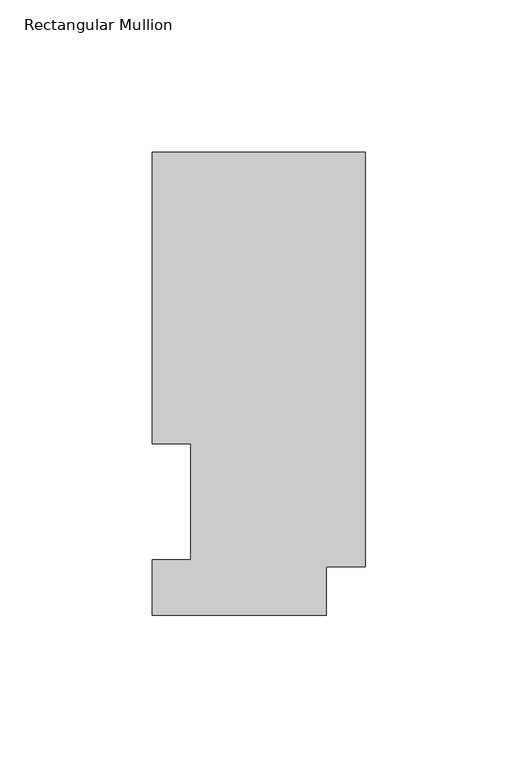
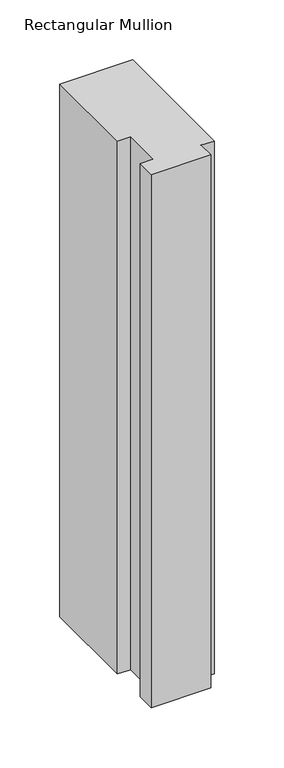
"""IFC4 building model written with IfcOpenShell, lengths in millimetres: member geometry, Rectangular Mullion."""

import ifcopenshell
import ifcopenshell.guid

model = None  # the IFC model being written
_history = None  # IfcOwnerHistory: only IFC2X3 demands one
_inside = {}  # id of a spatial element -> (the spatial element, [elements in it])
_under = {}  # id of a project, library or spatial element -> (it, [spatial elements below it])
_declared = {}  # id of a project -> (the project, [libraries it declares])
_typed = {}  # id of a type object -> (the type object, [elements of that type])
_made_of = {}  # id of a material, layer set ... -> (it, [elements and type objects made of it])


def new_model(schema):
    """Start an empty IFC model of exactly this schema.

    Asked for "IFC4X3", IfcOpenShell would pick the latest addendum, in which some entities
    have other attributes; the version numbers below select the first issue.
    IFC2X3 requires an IfcOwnerHistory on every rooted entity: one is made here for all.
    """
    global model, _history
    if schema == "IFC4X3":
        model = ifcopenshell.file(schema_version=(4, 3, 0, 0))
    else:
        model = ifcopenshell.file(schema=schema)
    _inside.clear()
    _under.clear()
    _declared.clear()
    _typed.clear()
    _made_of.clear()
    _history = None
    if model.schema == "IFC2X3":
        org = make("IfcOrganization", Name="unknown")
        user = make(
            "IfcPersonAndOrganization",
            ThePerson=make("IfcPerson", FamilyName="unknown"),
            TheOrganization=org,
        )
        app = make(
            "IfcApplication",
            ApplicationDeveloper=org,
            Version="unknown",
            ApplicationFullName="unknown",
            ApplicationIdentifier="unknown",
        )
        _history = make(
            "IfcOwnerHistory",
            OwningUser=user,
            OwningApplication=app,
            ChangeAction="ADDED",
            CreationDate=0,
        )
    return model


def make(cls, **values):
    """One entity of the class cls with the attributes given. An attribute that is None is left unset."""
    return model.create_entity(
        cls, **{name: value for name, value in values.items() if value is not None}
    )


def rooted(cls, **values):
    """An entity with a GlobalId (a new one), such as an element, a storey or a relation."""
    return make(cls, GlobalId=ifcopenshell.guid.new(), OwnerHistory=_history, **values)


def si_unit(unit_type, name, prefix=None):
    """IfcSIUnit, for example si_unit("LENGTHUNIT", "METRE", prefix="MILLI")."""
    return make("IfcSIUnit", UnitType=unit_type, Prefix=prefix, Name=name)


def assignment(units):
    """IfcUnitAssignment: the units of a project."""
    return None if units is None else make("IfcUnitAssignment", Units=units)


def point(xyz):
    """IfcCartesianPoint."""
    return None if xyz is None else make("IfcCartesianPoint", Coordinates=xyz)


def direction(xyz):
    """IfcDirection."""
    return None if xyz is None else make("IfcDirection", DirectionRatios=xyz)


def frame(location, z_axis=None, x_axis=None):
    """IfcAxis2Placement3D, a coordinate frame: its origin and axes. An axis left out is left unset."""
    return make(
        "IfcAxis2Placement3D",
        Location=point(location),
        Axis=direction(z_axis),
        RefDirection=direction(x_axis),
    )


def origin():
    """The frame at (0, 0, 0) with its axes left unset."""
    return frame((0.0, 0.0, 0.0))


def place(relative_to, where):
    """IfcLocalPlacement: puts the frame where relative to a parent placement (None: the world)."""
    return make(
        "IfcLocalPlacement", PlacementRelTo=relative_to, RelativePlacement=where
    )


def context(
    kind, dimensions, precision=None, world=None, true_north=None, identifier=None
):
    """IfcGeometricRepresentationContext, for example the 3D "Model" context."""
    return make(
        "IfcGeometricRepresentationContext",
        ContextIdentifier=identifier,
        ContextType=kind,
        CoordinateSpaceDimension=dimensions,
        Precision=precision,
        WorldCoordinateSystem=world,
        TrueNorth=true_north,
    )


def project(units=None, contexts=None):
    """IfcProject with its units and contexts."""
    return rooted(
        "IfcProject",
        Name="project",
        RepresentationContexts=contexts,
        UnitsInContext=assignment(units),
    )


def spatial(cls, under=None, at=None, **own):
    """A site, building, storey or space (cls), placed at a placement, below another one or the project."""
    s = rooted(cls, ObjectPlacement=at, **own)
    if under is not None:
        _under.setdefault(under.id(), (under, []))[1].append(s)
    return s


def polyline(points):
    """IfcPolyline through the points."""
    return make("IfcPolyline", Points=[point(p) for p in points])


def outline(outer, holes=None, kind="AREA"):
    """IfcArbitraryClosedProfileDef: a profile drawn as a closed curve; with holes, ...WithVoids."""
    if holes is None:
        return make("IfcArbitraryClosedProfileDef", ProfileType=kind, OuterCurve=outer)
    return make(
        "IfcArbitraryProfileDefWithVoids",
        ProfileType=kind,
        OuterCurve=outer,
        InnerCurves=holes,
    )


def extrude(swept, where, along, depth):
    """IfcExtrudedAreaSolid: the profile swept, set in the frame where, extruded along a direction by depth."""
    return make(
        "IfcExtrudedAreaSolid",
        SweptArea=swept,
        Position=where,
        ExtrudedDirection=direction(along),
        Depth=depth,
    )


def shape(context_of_items, identifier, shape_type, items):
    """IfcShapeRepresentation: the items that make up one representation, for example the "Body"."""
    return make(
        "IfcShapeRepresentation",
        ContextOfItems=context_of_items,
        RepresentationIdentifier=identifier,
        RepresentationType=shape_type,
        Items=items,
    )


def source(mapping_origin, context_of_items, identifier, shape_type, items):
    """IfcRepresentationMap: a shape defined once, which mapped items show again and again."""
    return make(
        "IfcRepresentationMap",
        MappingOrigin=mapping_origin,
        MappedRepresentation=shape(context_of_items, identifier, shape_type, items),
    )


def transform(
    local_origin,
    x_axis=None,
    y_axis=None,
    z_axis=None,
    scale=None,
    scale2=None,
    scale3=None,
    uniform=True,
):
    """IfcCartesianTransformationOperator3D, or its non-uniform kind. x_axis, y_axis, z_axis: its Axis1, 2, 3."""
    if uniform:
        return make(
            "IfcCartesianTransformationOperator3D",
            Axis1=direction(x_axis),
            Axis2=direction(y_axis),
            LocalOrigin=point(local_origin),
            Scale=scale,
            Axis3=direction(z_axis),
        )
    return make(
        "IfcCartesianTransformationOperator3DnonUniform",
        Axis1=direction(x_axis),
        Axis2=direction(y_axis),
        LocalOrigin=point(local_origin),
        Scale=scale,
        Axis3=direction(z_axis),
        Scale2=scale2,
        Scale3=scale3,
    )


def mapped(mapping_source, mapping_target):
    """IfcMappedItem: shows the shape of a source again, moved by a transform."""
    return make(
        "IfcMappedItem", MappingSource=mapping_source, MappingTarget=mapping_target
    )


def made_of(thing, what):
    """Note that an element or type object is made of a material, layer set ...; save() writes the relation."""
    if what is not None:
        _made_of.setdefault(what.id(), (what, []))[1].append(thing)
    return thing


def element(
    cls,
    number,
    at=None,
    inside=None,
    cuts=None,
    type_object=None,
    material=None,
    context=None,
    identifier="Body",
    shape_type=None,
    held_by="IfcProductDefinitionShape",
    body=None,
    shapes=None,
    **own,
):
    """One element of the class cls, such as IfcWall. Its Tag is "e" and its number.

    at: its placement. inside: the storey or other place that contains it. cuts: it is an
    opening in that element (IfcRelVoidsElement). A single representation is given by context,
    identifier, shape_type and body (its items); several are given by shapes. held_by: the class
    of the entity that holds the representations. save() writes the other relations.
    """
    e = rooted(cls, Tag="e%d" % number, ObjectPlacement=at, **own)
    if body is not None:
        shapes = [shape(context, identifier, shape_type, body)]
    if shapes is not None:
        e.Representation = make(held_by, Representations=shapes)
    if inside is not None:
        _inside.setdefault(inside.id(), (inside, []))[1].append(e)
    if cuts is not None:
        rooted(
            "IfcRelVoidsElement", RelatingBuildingElement=cuts, RelatedOpeningElement=e
        )
    if type_object is not None:
        _typed.setdefault(type_object.id(), (type_object, []))[1].append(e)
    return made_of(e, material)


def aggregate(whole, parts):
    """IfcRelAggregates: a whole, such as a stair, and the parts it consists of."""
    return rooted("IfcRelAggregates", RelatingObject=whole, RelatedObjects=parts)


def save(model, path):
    """Write the relations noted so far, then the file.

    IfcRelAggregates (storeys below a building ...), IfcRelContainedInSpatialStructure (elements
    in a storey), IfcRelDefinesByType, IfcRelAssociatesMaterial and IfcRelDeclares: one each for
    every whole, place, type object, material and project.
    """
    for whole, parts in _under.values():
        aggregate(whole, parts)
    for where, things in _inside.values():
        rooted(
            "IfcRelContainedInSpatialStructure",
            RelatedElements=things,
            RelatingStructure=where,
        )
    for kind, things in _typed.values():
        rooted("IfcRelDefinesByType", RelatedObjects=things, RelatingType=kind)
    for what, things in _made_of.values():
        rooted("IfcRelAssociatesMaterial", RelatedObjects=things, RelatingMaterial=what)
    for by, libraries in _declared.values():
        rooted("IfcRelDeclares", RelatingContext=by, RelatedDefinitions=libraries)
    model.write(path)


def rectangular_mullion_11056146(model_context):
    return source(origin(), model_context, "Body", "SweptSolid", [
        extrude(outline(polyline([(-69.9516, 56.35625), (-69.9516, 151.98725), (0.0, 151.98725), (0.0, 15.86865), (-12.8016, 15.86865), (-12.8016, -0.03175), (-69.9516, -0.03175), (-69.9516, 18.25625), (-57.2516, 18.25625), (-57.2516, 56.35625), (-69.9516, 56.35625)])), frame((0.0, 0.0, -542.8996), z_axis=(0.0, 0.0, 1.0), x_axis=(1.0, 0.0, 0.0)), (0.0, 0.0, 1.0), 542.8996),
    ])


if __name__ == "__main__":
    model = new_model("IFC4")
    model_context = context("Model", 3, world=origin())
    ifc_project = project(units=[si_unit("LENGTHUNIT", "METRE", prefix="MILLI")], contexts=[model_context])
    site = spatial("IfcSite", under=ifc_project)
    building = spatial("IfcBuilding", under=site)
    placement = place(None, origin())
    rectangular_mullion_shape = rectangular_mullion_11056146(model_context)
    element("IfcMember", 1, ObjectType="Rectangular Mullion", at=placement, inside=building, context=model_context, shape_type="MappedRepresentation", body=[
        mapped(rectangular_mullion_shape, transform((0.0, 0.0, 0.0), x_axis=(1.0, 0.0, 0.0), y_axis=(0.0, 1.0, 0.0), z_axis=(0.0, 0.0, 1.0))),
    ])
    save(model, "model.ifc")
